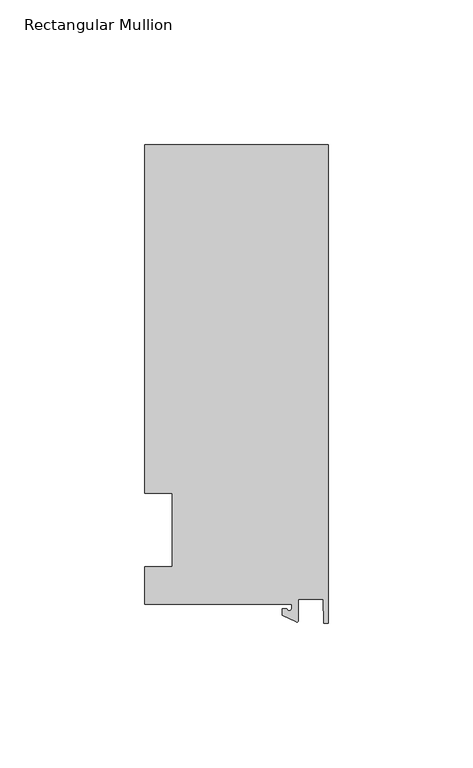
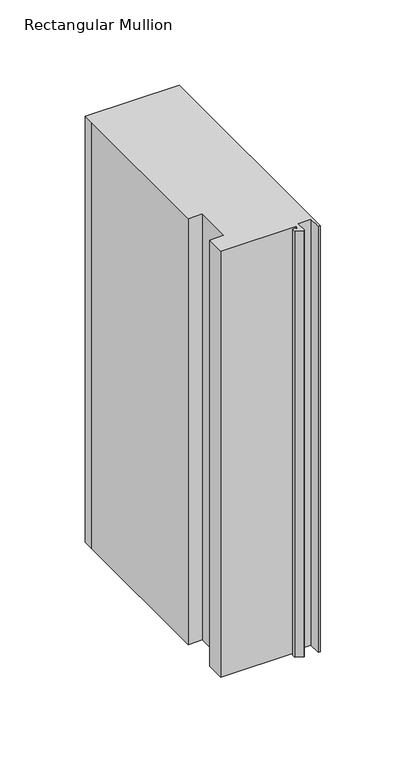
"""IFC4 building model written with IfcOpenShell, lengths in millimetres: member geometry, Rectangular Mullion."""

from ifc_helpers import new_model, si_unit, point, frame, frame_2d, origin, place, context, project, spatial, polyline, circle_curve, trimmed, segment, composite_curve, outline, extrude, source, transform, mapped, element, save


def rectangular_mullion_ab80a7ad(model_context):
    return source(origin(), model_context, "Body", "SweptSolid", [
        extrude(outline(composite_curve([segment(polyline([(-12.6979967, -25.796875), (-63.5, -25.796875), (-63.5, -12.7), (-53.975, -12.7), (-53.975, 12.7), (-63.5, 12.7), (-63.5, 125.4797866), (-63.5, 133.2272736), (0.0, 133.2272736), (0.0, -32.288874), (-1.5658966, -32.288874), (-1.7144124, -23.9227662), (-10.3103967, -23.9227662), (-10.3103967, -31.3654561)]), True, "CONTINUOUS"), segment(trimmed(circle_curve(frame_2d((-10.8183967, -31.3654561)), 0.508), [point((-10.3103967, -31.3654561))], [point((-11.0330867, -31.8258605))], False, "CARTESIAN"), True, "CONTINUOUS"), segment(polyline([(-11.0330867, -31.8258605), (-15.8729967, -29.5689734), (-15.8729967, -27.2067741), (-14.2854967, -27.2067741)]), True, "CONTINUOUS"), segment(trimmed(circle_curve(frame_2d((-13.4917467, -27.2067741)), 0.79375), [point((-14.2854967, -27.2067741))], [point((-12.6979967, -27.2067741))], True, "CARTESIAN"), True, "CONTINUOUS"), segment(polyline([(-12.6979967, -27.2067741), (-12.6979967, -25.796875)]), True, "CONTINUOUS")], self_intersect=False)), frame((0.0, 0.0, -304.8), z_axis=(0.0, 0.0, 1.0), x_axis=(1.0, 0.0, 0.0)), (0.0, 0.0, 1.0), 304.8),
    ])


if __name__ == "__main__":
    model = new_model("IFC4")
    model_context = context("Model", 3, world=origin())
    ifc_project = project(units=[si_unit("LENGTHUNIT", "METRE", prefix="MILLI")], contexts=[model_context])
    site = spatial("IfcSite", under=ifc_project)
    building = spatial("IfcBuilding", under=site)
    placement = place(None, origin())
    rectangular_mullion_shape = rectangular_mullion_ab80a7ad(model_context)
    element("IfcMember", 1, ObjectType="Rectangular Mullion", at=placement, inside=building, context=model_context, shape_type="MappedRepresentation", body=[
        mapped(rectangular_mullion_shape, transform((0.0, 0.0, 0.0), x_axis=(1.0, 0.0, 0.0), y_axis=(0.0, 1.0, 0.0), z_axis=(0.0, 0.0, 1.0))),
    ])
    save(model, "model.ifc")
